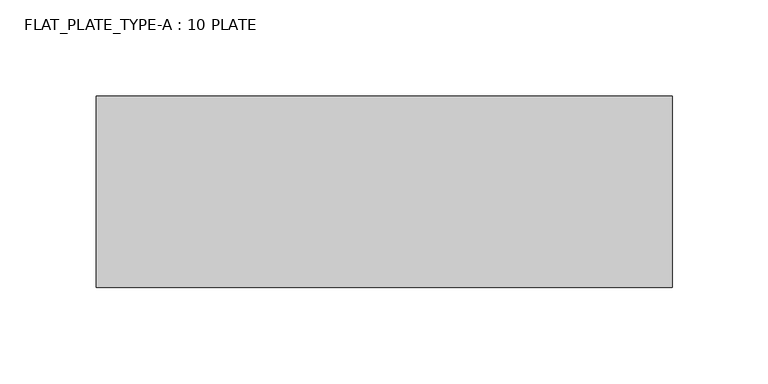
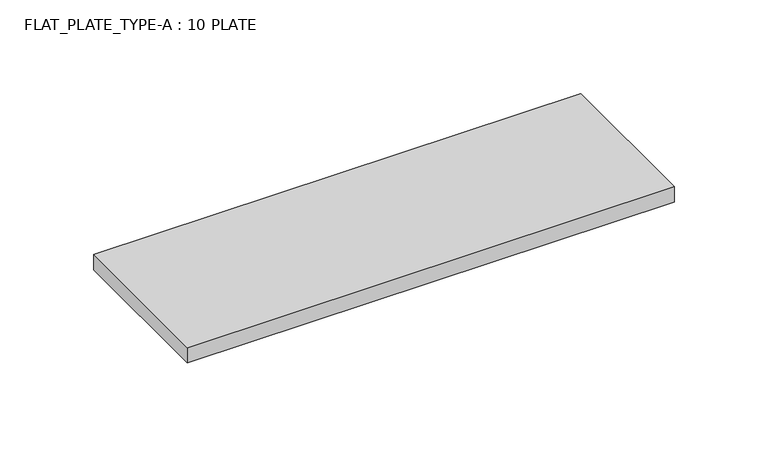
"""IFC4 building model written with IfcOpenShell, lengths in millimetres: fastener geometry, FLAT_PLATE_TYPE-A : 10 PLATE."""

import ifcopenshell
import ifcopenshell.guid

model = None  # the IFC model being written
_history = None  # IfcOwnerHistory: only IFC2X3 demands one
_inside = {}  # id of a spatial element -> (the spatial element, [elements in it])
_under = {}  # id of a project, library or spatial element -> (it, [spatial elements below it])
_declared = {}  # id of a project -> (the project, [libraries it declares])
_typed = {}  # id of a type object -> (the type object, [elements of that type])
_made_of = {}  # id of a material, layer set ... -> (it, [elements and type objects made of it])


def new_model(schema):
    """Start an empty IFC model of exactly this schema.

    Asked for "IFC4X3", IfcOpenShell would pick the latest addendum, in which some entities
    have other attributes; the version numbers below select the first issue.
    IFC2X3 requires an IfcOwnerHistory on every rooted entity: one is made here for all.
    """
    global model, _history
    if schema == "IFC4X3":
        model = ifcopenshell.file(schema_version=(4, 3, 0, 0))
    else:
        model = ifcopenshell.file(schema=schema)
    _inside.clear()
    _under.clear()
    _declared.clear()
    _typed.clear()
    _made_of.clear()
    _history = None
    if model.schema == "IFC2X3":
        org = make("IfcOrganization", Name="unknown")
        user = make(
            "IfcPersonAndOrganization",
            ThePerson=make("IfcPerson", FamilyName="unknown"),
            TheOrganization=org,
        )
        app = make(
            "IfcApplication",
            ApplicationDeveloper=org,
            Version="unknown",
            ApplicationFullName="unknown",
            ApplicationIdentifier="unknown",
        )
        _history = make(
            "IfcOwnerHistory",
            OwningUser=user,
            OwningApplication=app,
            ChangeAction="ADDED",
            CreationDate=0,
        )
    return model


def make(cls, **values):
    """One entity of the class cls with the attributes given. An attribute that is None is left unset."""
    return model.create_entity(
        cls, **{name: value for name, value in values.items() if value is not None}
    )


def rooted(cls, **values):
    """An entity with a GlobalId (a new one), such as an element, a storey or a relation."""
    return make(cls, GlobalId=ifcopenshell.guid.new(), OwnerHistory=_history, **values)


def si_unit(unit_type, name, prefix=None):
    """IfcSIUnit, for example si_unit("LENGTHUNIT", "METRE", prefix="MILLI")."""
    return make("IfcSIUnit", UnitType=unit_type, Prefix=prefix, Name=name)


def assignment(units):
    """IfcUnitAssignment: the units of a project."""
    return None if units is None else make("IfcUnitAssignment", Units=units)


def point(xyz):
    """IfcCartesianPoint."""
    return None if xyz is None else make("IfcCartesianPoint", Coordinates=xyz)


def direction(xyz):
    """IfcDirection."""
    return None if xyz is None else make("IfcDirection", DirectionRatios=xyz)


def frame(location, z_axis=None, x_axis=None):
    """IfcAxis2Placement3D, a coordinate frame: its origin and axes. An axis left out is left unset."""
    return make(
        "IfcAxis2Placement3D",
        Location=point(location),
        Axis=direction(z_axis),
        RefDirection=direction(x_axis),
    )


def origin():
    """The frame at (0, 0, 0) with its axes left unset."""
    return frame((0.0, 0.0, 0.0))


def origin_with_axes():
    """The frame at (0, 0, 0) with the z axis (0, 0, 1) and the x axis (1, 0, 0) written out."""
    return frame((0.0, 0.0, 0.0), z_axis=(0.0, 0.0, 1.0), x_axis=(1.0, 0.0, 0.0))


def place(relative_to, where):
    """IfcLocalPlacement: puts the frame where relative to a parent placement (None: the world)."""
    return make(
        "IfcLocalPlacement", PlacementRelTo=relative_to, RelativePlacement=where
    )


def context(
    kind, dimensions, precision=None, world=None, true_north=None, identifier=None
):
    """IfcGeometricRepresentationContext, for example the 3D "Model" context."""
    return make(
        "IfcGeometricRepresentationContext",
        ContextIdentifier=identifier,
        ContextType=kind,
        CoordinateSpaceDimension=dimensions,
        Precision=precision,
        WorldCoordinateSystem=world,
        TrueNorth=true_north,
    )


def project(units=None, contexts=None):
    """IfcProject with its units and contexts."""
    return rooted(
        "IfcProject",
        Name="project",
        RepresentationContexts=contexts,
        UnitsInContext=assignment(units),
    )


def spatial(cls, under=None, at=None, **own):
    """A site, building, storey or space (cls), placed at a placement, below another one or the project."""
    s = rooted(cls, ObjectPlacement=at, **own)
    if under is not None:
        _under.setdefault(under.id(), (under, []))[1].append(s)
    return s


def polyline(points):
    """IfcPolyline through the points."""
    return make("IfcPolyline", Points=[point(p) for p in points])


def outline(outer, holes=None, kind="AREA"):
    """IfcArbitraryClosedProfileDef: a profile drawn as a closed curve; with holes, ...WithVoids."""
    if holes is None:
        return make("IfcArbitraryClosedProfileDef", ProfileType=kind, OuterCurve=outer)
    return make(
        "IfcArbitraryProfileDefWithVoids",
        ProfileType=kind,
        OuterCurve=outer,
        InnerCurves=holes,
    )


def extrude(swept, where, along, depth):
    """IfcExtrudedAreaSolid: the profile swept, set in the frame where, extruded along a direction by depth."""
    return make(
        "IfcExtrudedAreaSolid",
        SweptArea=swept,
        Position=where,
        ExtrudedDirection=direction(along),
        Depth=depth,
    )


def shape(context_of_items, identifier, shape_type, items):
    """IfcShapeRepresentation: the items that make up one representation, for example the "Body"."""
    return make(
        "IfcShapeRepresentation",
        ContextOfItems=context_of_items,
        RepresentationIdentifier=identifier,
        RepresentationType=shape_type,
        Items=items,
    )


def source(mapping_origin, context_of_items, identifier, shape_type, items):
    """IfcRepresentationMap: a shape defined once, which mapped items show again and again."""
    return make(
        "IfcRepresentationMap",
        MappingOrigin=mapping_origin,
        MappedRepresentation=shape(context_of_items, identifier, shape_type, items),
    )


def transform(
    local_origin,
    x_axis=None,
    y_axis=None,
    z_axis=None,
    scale=None,
    scale2=None,
    scale3=None,
    uniform=True,
):
    """IfcCartesianTransformationOperator3D, or its non-uniform kind. x_axis, y_axis, z_axis: its Axis1, 2, 3."""
    if uniform:
        return make(
            "IfcCartesianTransformationOperator3D",
            Axis1=direction(x_axis),
            Axis2=direction(y_axis),
            LocalOrigin=point(local_origin),
            Scale=scale,
            Axis3=direction(z_axis),
        )
    return make(
        "IfcCartesianTransformationOperator3DnonUniform",
        Axis1=direction(x_axis),
        Axis2=direction(y_axis),
        LocalOrigin=point(local_origin),
        Scale=scale,
        Axis3=direction(z_axis),
        Scale2=scale2,
        Scale3=scale3,
    )


def mapped(mapping_source, mapping_target):
    """IfcMappedItem: shows the shape of a source again, moved by a transform."""
    return make(
        "IfcMappedItem", MappingSource=mapping_source, MappingTarget=mapping_target
    )


def made_of(thing, what):
    """Note that an element or type object is made of a material, layer set ...; save() writes the relation."""
    if what is not None:
        _made_of.setdefault(what.id(), (what, []))[1].append(thing)
    return thing


def element(
    cls,
    number,
    at=None,
    inside=None,
    cuts=None,
    type_object=None,
    material=None,
    context=None,
    identifier="Body",
    shape_type=None,
    held_by="IfcProductDefinitionShape",
    body=None,
    shapes=None,
    **own,
):
    """One element of the class cls, such as IfcWall. Its Tag is "e" and its number.

    at: its placement. inside: the storey or other place that contains it. cuts: it is an
    opening in that element (IfcRelVoidsElement). A single representation is given by context,
    identifier, shape_type and body (its items); several are given by shapes. held_by: the class
    of the entity that holds the representations. save() writes the other relations.
    """
    e = rooted(cls, Tag="e%d" % number, ObjectPlacement=at, **own)
    if body is not None:
        shapes = [shape(context, identifier, shape_type, body)]
    if shapes is not None:
        e.Representation = make(held_by, Representations=shapes)
    if inside is not None:
        _inside.setdefault(inside.id(), (inside, []))[1].append(e)
    if cuts is not None:
        rooted(
            "IfcRelVoidsElement", RelatingBuildingElement=cuts, RelatedOpeningElement=e
        )
    if type_object is not None:
        _typed.setdefault(type_object.id(), (type_object, []))[1].append(e)
    return made_of(e, material)


def aggregate(whole, parts):
    """IfcRelAggregates: a whole, such as a stair, and the parts it consists of."""
    return rooted("IfcRelAggregates", RelatingObject=whole, RelatedObjects=parts)


def save(model, path):
    """Write the relations noted so far, then the file.

    IfcRelAggregates (storeys below a building ...), IfcRelContainedInSpatialStructure (elements
    in a storey), IfcRelDefinesByType, IfcRelAssociatesMaterial and IfcRelDeclares: one each for
    every whole, place, type object, material and project.
    """
    for whole, parts in _under.values():
        aggregate(whole, parts)
    for where, things in _inside.values():
        rooted(
            "IfcRelContainedInSpatialStructure",
            RelatedElements=things,
            RelatingStructure=where,
        )
    for kind, things in _typed.values():
        rooted("IfcRelDefinesByType", RelatedObjects=things, RelatingType=kind)
    for what, things in _made_of.values():
        rooted("IfcRelAssociatesMaterial", RelatedObjects=things, RelatingMaterial=what)
    for by, libraries in _declared.values():
        rooted("IfcRelDeclares", RelatingContext=by, RelatedDefinitions=libraries)
    model.write(path)


def flat_plate_type_a_10_plate_0b42c44f(model_context):
    return source(origin(), model_context, "Body", "SweptSolid", [
        extrude(outline(polyline([(150.0, 50.0), (150.0, -50.0), (-150.0, -50.0), (-150.0, 50.0), (150.0, 50.0)])), origin_with_axes(), (0.0, 0.0, 1.0), 10.0),
    ])


if __name__ == "__main__":
    model = new_model("IFC4")
    model_context = context("Model", 3, world=origin())
    ifc_project = project(units=[si_unit("LENGTHUNIT", "METRE", prefix="MILLI")], contexts=[model_context])
    site = spatial("IfcSite", under=ifc_project)
    building = spatial("IfcBuilding", under=site)
    placement = place(None, origin())
    flat_plate_type_a_10_plate_shape = flat_plate_type_a_10_plate_0b42c44f(model_context)
    element("IfcFastener", 1, ObjectType="FLAT_PLATE_TYPE-A : 10 PLATE", at=placement, inside=building, context=model_context, shape_type="MappedRepresentation", body=[
        mapped(flat_plate_type_a_10_plate_shape, transform((0.0, 0.0, 0.0), x_axis=(1.0, 0.0, 0.0), y_axis=(0.0, 1.0, 0.0), z_axis=(0.0, 0.0, 1.0))),
    ])
    save(model, "model.ifc")
